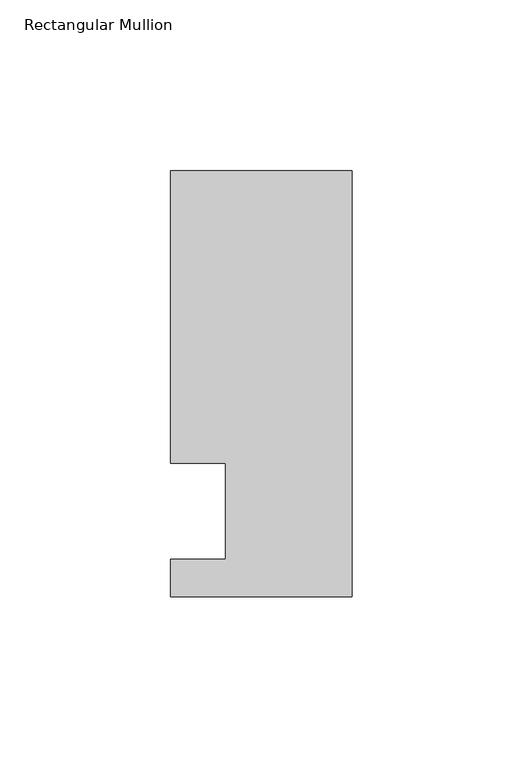
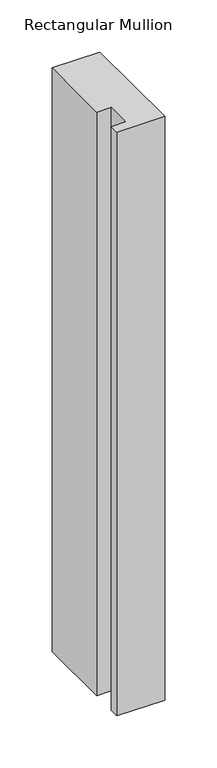
"""IFC4 building model written with IfcOpenShell, lengths in millimetres: member geometry, Rectangular Mullion."""

from ifc_helpers import new_model, si_unit, frame, origin, place, context, project, spatial, polyline, outline, extrude, source, transform, mapped, element, save


def rectangular_mullion_6432e9ff(model_context):
    return source(origin(), model_context, "Body", "SweptSolid", [
        extrude(outline(polyline([(-37.0, -13.9999453), (-37.0, 14.0000547), (-53.0, 14.0000547), (-53.0, 99.5000547), (0.0, 99.5000547), (0.0, -24.9999453), (-53.0, -24.9999453), (-53.0, -13.9999453), (-37.0, -13.9999453)])), frame((0.0, 0.0, -684.1000095), z_axis=(0.0, 0.0, 1.0), x_axis=(1.0, 0.0, 0.0)), (0.0, 0.0, 1.0), 684.1000095),
    ])


if __name__ == "__main__":
    model = new_model("IFC4")
    model_context = context("Model", 3, world=origin())
    ifc_project = project(units=[si_unit("LENGTHUNIT", "METRE", prefix="MILLI")], contexts=[model_context])
    site = spatial("IfcSite", under=ifc_project)
    building = spatial("IfcBuilding", under=site)
    placement = place(None, origin())
    rectangular_mullion_shape = rectangular_mullion_6432e9ff(model_context)
    element("IfcMember", 1, ObjectType="Rectangular Mullion", at=placement, inside=building, context=model_context, shape_type="MappedRepresentation", body=[
        mapped(rectangular_mullion_shape, transform((0.0, 0.0, 0.0), x_axis=(1.0, 0.0, 0.0), y_axis=(0.0, 1.0, 0.0), z_axis=(0.0, 0.0, 1.0))),
    ])
    save(model, "model.ifc")
